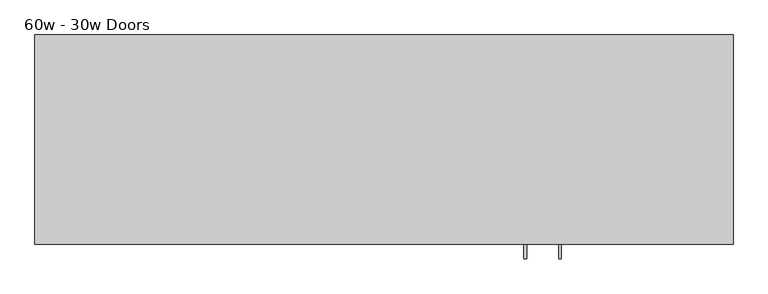
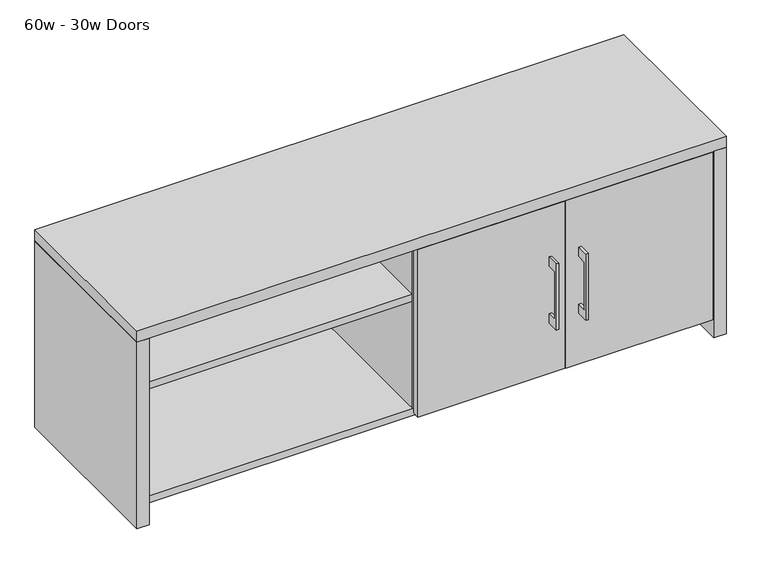
"""IFC4 building model written with IfcOpenShell, lengths in millimetres: furniture geometry, 60w - 30w Doors."""

from ifc_helpers import new_model, si_unit, frame, origin, origin_with_axes, place, context, project, spatial, polyline, outline, extrude, source, transform, mapped, element, save


def furniture_60w_30w_doors_3c4c0740(model_context):
    return source(origin(), model_context, "Body", "SweptSolid", [
        extrude(outline(polyline([(-457.2, 344.4875), (-482.5999758, 344.4875), (-482.5999758, 214.3125), (-457.2, 214.3125), (-457.2, 188.9125), (-488.9499879, 188.9125), (-488.9499879, 369.8875), (-457.2, 369.8875), (-457.2, 344.4875)])), frame((152.4, 0.0, 0.0), z_axis=(1.0, 0.0, 0.0), x_axis=(0.0, 1.0, 0.0)), (0.0, 0.0, 1.0), 6.35),
        extrude(outline(polyline([(-187.325, -457.2), (-187.325, -438.15), (192.0875, -438.15), (192.0875, -457.2), (-187.325, -457.2)])), frame((0.0, 0.0, 50.8), z_axis=(0.0, 0.0, 1.0), x_axis=(1.0, 0.0, 0.0)), (0.0, 0.0, 1.0), 457.2),
        extrude(outline(polyline([(-457.2, 344.4875), (-482.5999758, 344.4875), (-482.5999758, 214.3125), (-457.2, 214.3125), (-457.2, 188.9125), (-488.9499879, 188.9125), (-488.9499879, 369.8875), (-457.2, 369.8875), (-457.2, 344.4875)])), frame((228.6, 0.0, 0.0), z_axis=(1.0, 0.0, 0.0), x_axis=(0.0, 1.0, 0.0)), (0.0, 0.0, 1.0), 6.35),
        extrude(outline(polyline([(574.675, -457.2), (195.2625, -457.2), (195.2625, -438.15), (574.675, -438.15), (574.675, -457.2)])), frame((0.0, 0.0, 50.8), z_axis=(0.0, 0.0, 1.0), x_axis=(1.0, 0.0, 0.0)), (0.0, 0.0, 1.0), 457.2),
        extrude(outline(polyline([(-190.5, -19.05), (-190.5, -436.5625), (-882.65, -436.5625), (-882.65, -19.05), (-190.5, -19.05)])), frame((0.0, 0.0, 355.6), z_axis=(0.0, 0.0, 1.0), x_axis=(1.0, 0.0, 0.0)), (0.0, 0.0, 1.0), 19.05),
        extrude(outline(polyline([(577.85, -19.05), (577.85, -436.5625), (-171.45, -436.5625), (-171.45, -19.05), (577.85, -19.05)])), frame((0.0, 0.0, 355.6), z_axis=(0.0, 0.0, 1.0), x_axis=(1.0, 0.0, 0.0)), (0.0, 0.0, 1.0), 19.05),
        extrude(outline(polyline([(-438.15, 44.45), (-438.15, 63.5), (-19.05, 63.5), (-19.05, 44.45), (-20.6375, 44.45), (-20.6375, 61.9125), (-436.5625, 61.9125), (-436.5625, 44.45), (-438.15, 44.45)])), frame((-882.65, 0.0, 0.0), z_axis=(1.0, 0.0, 0.0), x_axis=(0.0, 1.0, 0.0)), (0.0, 0.0, 1.0), 1460.5),
        extrude(outline(polyline([(-171.45, -438.15), (-190.5, -438.15), (-190.5, -19.05), (-171.45, -19.05), (-171.45, -438.15)])), frame((0.0, 0.0, 63.5), z_axis=(0.0, 0.0, 1.0), x_axis=(1.0, 0.0, 0.0)), (0.0, 0.0, 1.0), 446.0875),
        extrude(outline(polyline([(-914.4, 0.0), (-882.65, 0.0), (-882.65, -457.2), (-914.4, -457.2), (-914.4, 0.0)])), origin_with_axes(), (0.0, 0.0, 1.0), 509.5875),
        extrude(outline(polyline([(609.6, -457.2), (577.85, -457.2), (577.85, 0.0), (609.6, 0.0), (609.6, -457.2)])), origin_with_axes(), (0.0, 0.0, 1.0), 509.5875),
        extrude(outline(polyline([(609.6, 0.0), (609.6, -457.2), (-914.4, -457.2), (-914.4, 0.0), (609.6, 0.0)])), frame((0.0, 0.0, 509.5875), z_axis=(0.0, 0.0, 1.0), x_axis=(1.0, 0.0, 0.0)), (0.0, 0.0, 1.0), 30.1625),
        extrude(outline(polyline([(577.85, 0.0), (577.85, -19.05), (-882.65, -19.05), (-882.65, 0.0), (577.85, 0.0)])), frame((0.0, 0.0, 44.45), z_axis=(0.0, 0.0, 1.0), x_axis=(1.0, 0.0, 0.0)), (0.0, 0.0, 1.0), 465.1375),
    ])


if __name__ == "__main__":
    model = new_model("IFC4")
    model_context = context("Model", 3, world=origin())
    ifc_project = project(units=[si_unit("LENGTHUNIT", "METRE", prefix="MILLI")], contexts=[model_context])
    site = spatial("IfcSite", under=ifc_project)
    building = spatial("IfcBuilding", under=site)
    placement = place(None, origin())
    furniture_60w_30w_doors_shape = furniture_60w_30w_doors_3c4c0740(model_context)
    element("IfcFurniture", 1, ObjectType="60w - 30w Doors", at=placement, inside=building, context=model_context, shape_type="MappedRepresentation", body=[
        mapped(furniture_60w_30w_doors_shape, transform((0.0, 0.0, 0.0), x_axis=(1.0, 0.0, 0.0), y_axis=(0.0, 1.0, 0.0), z_axis=(0.0, 0.0, 1.0))),
    ])
    save(model, "model.ifc")
